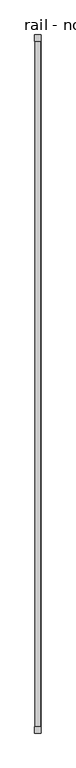
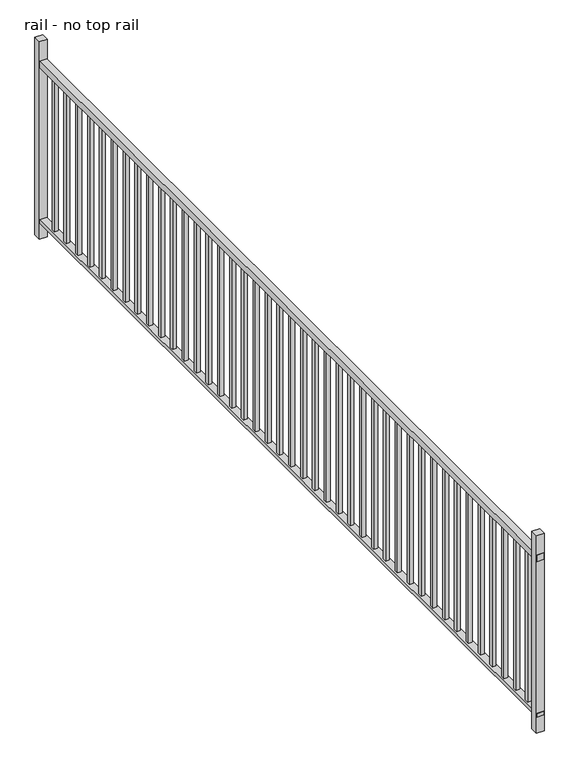
"""IFC4 building model written with IfcOpenShell, lengths in millimetres: railing geometry, rail - no top rail."""

from ifc_helpers import new_model, si_unit, frame, origin, origin_with_axes, place, context, project, spatial, polyline, outline, extrude, source, transform, mapped, element, save


def rail_no_top_rail_cb0432c7(model_context):
    return source(origin(), model_context, "Body", "SweptSolid", [
        extrude(outline(polyline([(5432.3210996, 2305.7940293), (5396.9000059, 2305.7940293), (5396.9000059, 6547.5940293), (5432.3210996, 6547.5940293), (5432.3210996, 2305.7940293)])), frame((0.0, 0.0, 893.1671875), z_axis=(0.0, 0.0, 1.0), x_axis=(1.0, 0.0, 0.0)), (0.0, 0.0, 1.0), 33.9328125),
        extrude(outline(polyline([(5432.9291121, 2305.7940293), (5396.2919934, 2305.7940293), (5396.2919934, 6547.5940293), (5432.9291121, 6547.5940293), (5432.9291121, 2305.7940293)])), frame((0.0, 0.0, 82.55), z_axis=(0.0, 0.0, 1.0), x_axis=(1.0, 0.0, 0.0)), (0.0, 0.0, 1.0), 19.0627),
        extrude(outline(polyline([(5405.0855527, 6437.0737912), (5405.0855527, 6456.1237912), (5424.1355527, 6456.1237912), (5424.1355527, 6437.0737912), (5405.0855527, 6437.0737912)])), frame((0.0, 0.0, 101.6127), z_axis=(0.0, 0.0, 1.0), x_axis=(1.0, 0.0, 0.0)), (0.0, 0.0, 1.0), 791.5544875),
        extrude(outline(polyline([(5405.0855527, 6336.0785531), (5405.0855527, 6355.1285531), (5424.1355527, 6355.1285531), (5424.1355527, 6336.0785531), (5405.0855527, 6336.0785531)])), frame((0.0, 0.0, 101.6127), z_axis=(0.0, 0.0, 1.0), x_axis=(1.0, 0.0, 0.0)), (0.0, 0.0, 1.0), 791.5544875),
        extrude(outline(polyline([(5405.0855527, 6235.083315), (5405.0855527, 6254.133315), (5424.1355527, 6254.133315), (5424.1355527, 6235.083315), (5405.0855527, 6235.083315)])), frame((0.0, 0.0, 101.6127), z_axis=(0.0, 0.0, 1.0), x_axis=(1.0, 0.0, 0.0)), (0.0, 0.0, 1.0), 791.5544875),
        extrude(outline(polyline([(5405.0855527, 6134.0880769), (5405.0855527, 6153.1380769), (5424.1355527, 6153.1380769), (5424.1355527, 6134.0880769), (5405.0855527, 6134.0880769)])), frame((0.0, 0.0, 101.6127), z_axis=(0.0, 0.0, 1.0), x_axis=(1.0, 0.0, 0.0)), (0.0, 0.0, 1.0), 791.5544875),
        extrude(outline(polyline([(5405.0855527, 6033.0928388), (5405.0855527, 6052.1428388), (5424.1355527, 6052.1428388), (5424.1355527, 6033.0928388), (5405.0855527, 6033.0928388)])), frame((0.0, 0.0, 101.6127), z_axis=(0.0, 0.0, 1.0), x_axis=(1.0, 0.0, 0.0)), (0.0, 0.0, 1.0), 791.5544875),
        extrude(outline(polyline([(5405.0855527, 5932.0976007), (5405.0855527, 5951.1476007), (5424.1355527, 5951.1476007), (5424.1355527, 5932.0976007), (5405.0855527, 5932.0976007)])), frame((0.0, 0.0, 101.6127), z_axis=(0.0, 0.0, 1.0), x_axis=(1.0, 0.0, 0.0)), (0.0, 0.0, 1.0), 791.5544875),
        extrude(outline(polyline([(5405.0855527, 5831.1023626), (5405.0855527, 5850.1523626), (5424.1355527, 5850.1523626), (5424.1355527, 5831.1023626), (5405.0855527, 5831.1023626)])), frame((0.0, 0.0, 101.6127), z_axis=(0.0, 0.0, 1.0), x_axis=(1.0, 0.0, 0.0)), (0.0, 0.0, 1.0), 791.5544875),
        extrude(outline(polyline([(5405.0855527, 5730.1071245), (5405.0855527, 5749.1571245), (5424.1355527, 5749.1571245), (5424.1355527, 5730.1071245), (5405.0855527, 5730.1071245)])), frame((0.0, 0.0, 101.6127), z_axis=(0.0, 0.0, 1.0), x_axis=(1.0, 0.0, 0.0)), (0.0, 0.0, 1.0), 791.5544875),
        extrude(outline(polyline([(5405.0855527, 5629.1118864), (5405.0855527, 5648.1618864), (5424.1355527, 5648.1618864), (5424.1355527, 5629.1118864), (5405.0855527, 5629.1118864)])), frame((0.0, 0.0, 101.6127), z_axis=(0.0, 0.0, 1.0), x_axis=(1.0, 0.0, 0.0)), (0.0, 0.0, 1.0), 791.5544875),
        extrude(outline(polyline([(5405.0855527, 5528.1166483), (5405.0855527, 5547.1666483), (5424.1355527, 5547.1666483), (5424.1355527, 5528.1166483), (5405.0855527, 5528.1166483)])), frame((0.0, 0.0, 101.6127), z_axis=(0.0, 0.0, 1.0), x_axis=(1.0, 0.0, 0.0)), (0.0, 0.0, 1.0), 791.5544875),
        extrude(outline(polyline([(5405.0855527, 5427.1214102), (5405.0855527, 5446.1714102), (5424.1355527, 5446.1714102), (5424.1355527, 5427.1214102), (5405.0855527, 5427.1214102)])), frame((0.0, 0.0, 101.6127), z_axis=(0.0, 0.0, 1.0), x_axis=(1.0, 0.0, 0.0)), (0.0, 0.0, 1.0), 791.5544875),
        extrude(outline(polyline([(5405.0855527, 5326.1261721), (5405.0855527, 5345.1761721), (5424.1355527, 5345.1761721), (5424.1355527, 5326.1261721), (5405.0855527, 5326.1261721)])), frame((0.0, 0.0, 101.6127), z_axis=(0.0, 0.0, 1.0), x_axis=(1.0, 0.0, 0.0)), (0.0, 0.0, 1.0), 791.5544875),
        extrude(outline(polyline([(5405.0855527, 5225.130934), (5405.0855527, 5244.180934), (5424.1355527, 5244.180934), (5424.1355527, 5225.130934), (5405.0855527, 5225.130934)])), frame((0.0, 0.0, 101.6127), z_axis=(0.0, 0.0, 1.0), x_axis=(1.0, 0.0, 0.0)), (0.0, 0.0, 1.0), 791.5544875),
        extrude(outline(polyline([(5405.0855527, 5124.1356959), (5405.0855527, 5143.1856959), (5424.1355527, 5143.1856959), (5424.1355527, 5124.1356959), (5405.0855527, 5124.1356959)])), frame((0.0, 0.0, 101.6127), z_axis=(0.0, 0.0, 1.0), x_axis=(1.0, 0.0, 0.0)), (0.0, 0.0, 1.0), 791.5544875),
        extrude(outline(polyline([(5405.0855527, 5023.1404579), (5405.0855527, 5042.1904579), (5424.1355527, 5042.1904579), (5424.1355527, 5023.1404579), (5405.0855527, 5023.1404579)])), frame((0.0, 0.0, 101.6127), z_axis=(0.0, 0.0, 1.0), x_axis=(1.0, 0.0, 0.0)), (0.0, 0.0, 1.0), 791.5544875),
        extrude(outline(polyline([(5405.0855527, 4922.1452198), (5405.0855527, 4941.1952198), (5424.1355527, 4941.1952198), (5424.1355527, 4922.1452198), (5405.0855527, 4922.1452198)])), frame((0.0, 0.0, 101.6127), z_axis=(0.0, 0.0, 1.0), x_axis=(1.0, 0.0, 0.0)), (0.0, 0.0, 1.0), 791.5544875),
        extrude(outline(polyline([(5405.0855527, 4821.1499817), (5405.0855527, 4840.1999817), (5424.1355527, 4840.1999817), (5424.1355527, 4821.1499817), (5405.0855527, 4821.1499817)])), frame((0.0, 0.0, 101.6127), z_axis=(0.0, 0.0, 1.0), x_axis=(1.0, 0.0, 0.0)), (0.0, 0.0, 1.0), 791.5544875),
        extrude(outline(polyline([(5405.0855527, 4720.1547436), (5405.0855527, 4739.2047436), (5424.1355527, 4739.2047436), (5424.1355527, 4720.1547436), (5405.0855527, 4720.1547436)])), frame((0.0, 0.0, 101.6127), z_axis=(0.0, 0.0, 1.0), x_axis=(1.0, 0.0, 0.0)), (0.0, 0.0, 1.0), 791.5544875),
        extrude(outline(polyline([(5405.0855527, 4619.1595055), (5405.0855527, 4638.2095055), (5424.1355527, 4638.2095055), (5424.1355527, 4619.1595055), (5405.0855527, 4619.1595055)])), frame((0.0, 0.0, 101.6127), z_axis=(0.0, 0.0, 1.0), x_axis=(1.0, 0.0, 0.0)), (0.0, 0.0, 1.0), 791.5544875),
        extrude(outline(polyline([(5405.0855527, 4518.1642674), (5405.0855527, 4537.2142674), (5424.1355527, 4537.2142674), (5424.1355527, 4518.1642674), (5405.0855527, 4518.1642674)])), frame((0.0, 0.0, 101.6127), z_axis=(0.0, 0.0, 1.0), x_axis=(1.0, 0.0, 0.0)), (0.0, 0.0, 1.0), 791.5544875),
        extrude(outline(polyline([(5405.0855527, 4417.1690293), (5405.0855527, 4436.2190293), (5424.1355527, 4436.2190293), (5424.1355527, 4417.1690293), (5405.0855527, 4417.1690293)])), frame((0.0, 0.0, 101.6127), z_axis=(0.0, 0.0, 1.0), x_axis=(1.0, 0.0, 0.0)), (0.0, 0.0, 1.0), 791.5544875),
        extrude(outline(polyline([(5405.0855527, 4316.1737912), (5405.0855527, 4335.2237912), (5424.1355527, 4335.2237912), (5424.1355527, 4316.1737912), (5405.0855527, 4316.1737912)])), frame((0.0, 0.0, 101.6127), z_axis=(0.0, 0.0, 1.0), x_axis=(1.0, 0.0, 0.0)), (0.0, 0.0, 1.0), 791.5544875),
        extrude(outline(polyline([(5405.0855527, 4215.1785531), (5405.0855527, 4234.2285531), (5424.1355527, 4234.2285531), (5424.1355527, 4215.1785531), (5405.0855527, 4215.1785531)])), frame((0.0, 0.0, 101.6127), z_axis=(0.0, 0.0, 1.0), x_axis=(1.0, 0.0, 0.0)), (0.0, 0.0, 1.0), 791.5544875),
        extrude(outline(polyline([(5405.0855527, 4114.183315), (5405.0855527, 4133.233315), (5424.1355527, 4133.233315), (5424.1355527, 4114.183315), (5405.0855527, 4114.183315)])), frame((0.0, 0.0, 101.6127), z_axis=(0.0, 0.0, 1.0), x_axis=(1.0, 0.0, 0.0)), (0.0, 0.0, 1.0), 791.5544875),
        extrude(outline(polyline([(5405.0855527, 4013.1880769), (5405.0855527, 4032.2380769), (5424.1355527, 4032.2380769), (5424.1355527, 4013.1880769), (5405.0855527, 4013.1880769)])), frame((0.0, 0.0, 101.6127), z_axis=(0.0, 0.0, 1.0), x_axis=(1.0, 0.0, 0.0)), (0.0, 0.0, 1.0), 791.5544875),
        extrude(outline(polyline([(5405.0855527, 3912.1928388), (5405.0855527, 3931.2428388), (5424.1355527, 3931.2428388), (5424.1355527, 3912.1928388), (5405.0855527, 3912.1928388)])), frame((0.0, 0.0, 101.6127), z_axis=(0.0, 0.0, 1.0), x_axis=(1.0, 0.0, 0.0)), (0.0, 0.0, 1.0), 791.5544875),
        extrude(outline(polyline([(5405.0855527, 3811.1976007), (5405.0855527, 3830.2476007), (5424.1355527, 3830.2476007), (5424.1355527, 3811.1976007), (5405.0855527, 3811.1976007)])), frame((0.0, 0.0, 101.6127), z_axis=(0.0, 0.0, 1.0), x_axis=(1.0, 0.0, 0.0)), (0.0, 0.0, 1.0), 791.5544875),
        extrude(outline(polyline([(5405.0855527, 3710.2023626), (5405.0855527, 3729.2523626), (5424.1355527, 3729.2523626), (5424.1355527, 3710.2023626), (5405.0855527, 3710.2023626)])), frame((0.0, 0.0, 101.6127), z_axis=(0.0, 0.0, 1.0), x_axis=(1.0, 0.0, 0.0)), (0.0, 0.0, 1.0), 791.5544875),
        extrude(outline(polyline([(5405.0855527, 3609.2071245), (5405.0855527, 3628.2571245), (5424.1355527, 3628.2571245), (5424.1355527, 3609.2071245), (5405.0855527, 3609.2071245)])), frame((0.0, 0.0, 101.6127), z_axis=(0.0, 0.0, 1.0), x_axis=(1.0, 0.0, 0.0)), (0.0, 0.0, 1.0), 791.5544875),
        extrude(outline(polyline([(5405.0855527, 3508.2118864), (5405.0855527, 3527.2618864), (5424.1355527, 3527.2618864), (5424.1355527, 3508.2118864), (5405.0855527, 3508.2118864)])), frame((0.0, 0.0, 101.6127), z_axis=(0.0, 0.0, 1.0), x_axis=(1.0, 0.0, 0.0)), (0.0, 0.0, 1.0), 791.5544875),
        extrude(outline(polyline([(5405.0855527, 3407.2166483), (5405.0855527, 3426.2666483), (5424.1355527, 3426.2666483), (5424.1355527, 3407.2166483), (5405.0855527, 3407.2166483)])), frame((0.0, 0.0, 101.6127), z_axis=(0.0, 0.0, 1.0), x_axis=(1.0, 0.0, 0.0)), (0.0, 0.0, 1.0), 791.5544875),
        extrude(outline(polyline([(5405.0855527, 3306.2214102), (5405.0855527, 3325.2714102), (5424.1355527, 3325.2714102), (5424.1355527, 3306.2214102), (5405.0855527, 3306.2214102)])), frame((0.0, 0.0, 101.6127), z_axis=(0.0, 0.0, 1.0), x_axis=(1.0, 0.0, 0.0)), (0.0, 0.0, 1.0), 791.5544875),
        extrude(outline(polyline([(5405.0855527, 3205.2261721), (5405.0855527, 3224.2761721), (5424.1355527, 3224.2761721), (5424.1355527, 3205.2261721), (5405.0855527, 3205.2261721)])), frame((0.0, 0.0, 101.6127), z_axis=(0.0, 0.0, 1.0), x_axis=(1.0, 0.0, 0.0)), (0.0, 0.0, 1.0), 791.5544875),
        extrude(outline(polyline([(5405.0855527, 3104.230934), (5405.0855527, 3123.280934), (5424.1355527, 3123.280934), (5424.1355527, 3104.230934), (5405.0855527, 3104.230934)])), frame((0.0, 0.0, 101.6127), z_axis=(0.0, 0.0, 1.0), x_axis=(1.0, 0.0, 0.0)), (0.0, 0.0, 1.0), 791.5544875),
        extrude(outline(polyline([(5405.0855527, 3003.2356959), (5405.0855527, 3022.2856959), (5424.1355527, 3022.2856959), (5424.1355527, 3003.2356959), (5405.0855527, 3003.2356959)])), frame((0.0, 0.0, 101.6127), z_axis=(0.0, 0.0, 1.0), x_axis=(1.0, 0.0, 0.0)), (0.0, 0.0, 1.0), 791.5544875),
        extrude(outline(polyline([(5405.0855527, 2902.2404579), (5405.0855527, 2921.2904579), (5424.1355527, 2921.2904579), (5424.1355527, 2902.2404579), (5405.0855527, 2902.2404579)])), frame((0.0, 0.0, 101.6127), z_axis=(0.0, 0.0, 1.0), x_axis=(1.0, 0.0, 0.0)), (0.0, 0.0, 1.0), 791.5544875),
        extrude(outline(polyline([(5405.0855527, 2801.2452198), (5405.0855527, 2820.2952198), (5424.1355527, 2820.2952198), (5424.1355527, 2801.2452198), (5405.0855527, 2801.2452198)])), frame((0.0, 0.0, 101.6127), z_axis=(0.0, 0.0, 1.0), x_axis=(1.0, 0.0, 0.0)), (0.0, 0.0, 1.0), 791.5544875),
        extrude(outline(polyline([(5405.0855527, 2700.2499817), (5405.0855527, 2719.2999817), (5424.1355527, 2719.2999817), (5424.1355527, 2700.2499817), (5405.0855527, 2700.2499817)])), frame((0.0, 0.0, 101.6127), z_axis=(0.0, 0.0, 1.0), x_axis=(1.0, 0.0, 0.0)), (0.0, 0.0, 1.0), 791.5544875),
        extrude(outline(polyline([(5405.0855527, 2599.2547436), (5405.0855527, 2618.3047436), (5424.1355527, 2618.3047436), (5424.1355527, 2599.2547436), (5405.0855527, 2599.2547436)])), frame((0.0, 0.0, 101.6127), z_axis=(0.0, 0.0, 1.0), x_axis=(1.0, 0.0, 0.0)), (0.0, 0.0, 1.0), 791.5544875),
        extrude(outline(polyline([(5405.0855527, 2498.2595055), (5405.0855527, 2517.3095055), (5424.1355527, 2517.3095055), (5424.1355527, 2498.2595055), (5405.0855527, 2498.2595055)])), frame((0.0, 0.0, 101.6127), z_axis=(0.0, 0.0, 1.0), x_axis=(1.0, 0.0, 0.0)), (0.0, 0.0, 1.0), 791.5544875),
        extrude(outline(polyline([(5405.0855527, 2397.2642674), (5405.0855527, 2416.3142674), (5424.1355527, 2416.3142674), (5424.1355527, 2397.2642674), (5405.0855527, 2397.2642674)])), frame((0.0, 0.0, 101.6127), z_axis=(0.0, 0.0, 1.0), x_axis=(1.0, 0.0, 0.0)), (0.0, 0.0, 1.0), 791.5544875),
        extrude(outline(polyline([(5433.6605527, 6585.6940293), (5433.6605527, 6547.5940293), (5395.5605527, 6547.5940293), (5395.5605527, 6585.6940293), (5433.6605527, 6585.6940293)])), origin_with_axes(), (0.0, 0.0, 1.0), 1028.7),
        extrude(outline(polyline([(5433.6605527, 2343.8940293), (5433.6605527, 2305.7940293), (5395.5605527, 2305.7940293), (5395.5605527, 2343.8940293), (5433.6605527, 2343.8940293)])), origin_with_axes(), (0.0, 0.0, 1.0), 1028.7),
    ])


if __name__ == "__main__":
    model = new_model("IFC4")
    model_context = context("Model", 3, world=origin())
    ifc_project = project(units=[si_unit("LENGTHUNIT", "METRE", prefix="MILLI")], contexts=[model_context])
    site = spatial("IfcSite", under=ifc_project)
    building = spatial("IfcBuilding", under=site)
    placement = place(None, origin())
    rail_no_top_rail_shape = rail_no_top_rail_cb0432c7(model_context)
    element("IfcRailing", 1, ObjectType="rail - no top rail", at=placement, inside=building, context=model_context, shape_type="MappedRepresentation", body=[
        mapped(rail_no_top_rail_shape, transform((0.0, 0.0, 0.0), x_axis=(1.0, 0.0, 0.0), y_axis=(0.0, 1.0, 0.0), z_axis=(0.0, 0.0, 1.0))),
    ])
    save(model, "model.ifc")
